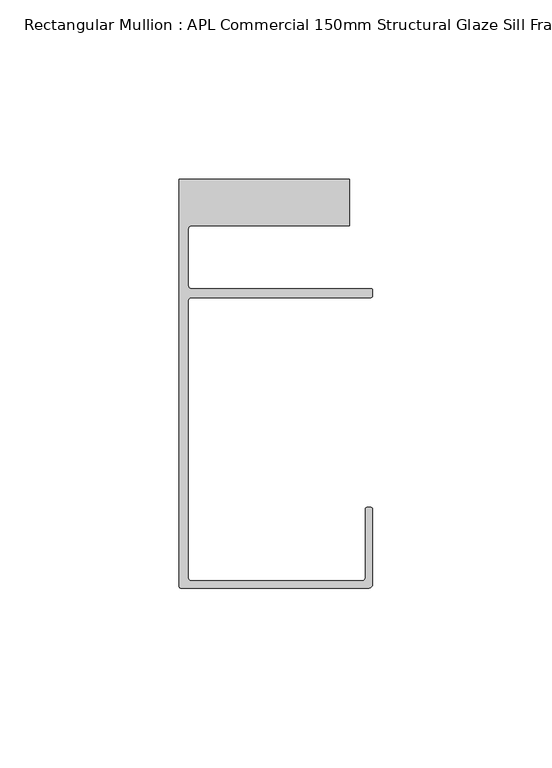
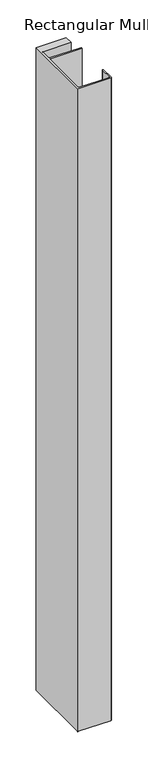
"""IFC4 building model written with IfcOpenShell, lengths in millimetres: member geometry, Rectangular Mullion : APL Commercial 150mm Structural Glaze Sill Frame (Back)."""

import ifcopenshell
import ifcopenshell.guid

model = None  # the IFC model being written
_history = None  # IfcOwnerHistory: only IFC2X3 demands one
_inside = {}  # id of a spatial element -> (the spatial element, [elements in it])
_under = {}  # id of a project, library or spatial element -> (it, [spatial elements below it])
_declared = {}  # id of a project -> (the project, [libraries it declares])
_typed = {}  # id of a type object -> (the type object, [elements of that type])
_made_of = {}  # id of a material, layer set ... -> (it, [elements and type objects made of it])


def new_model(schema):
    """Start an empty IFC model of exactly this schema.

    Asked for "IFC4X3", IfcOpenShell would pick the latest addendum, in which some entities
    have other attributes; the version numbers below select the first issue.
    IFC2X3 requires an IfcOwnerHistory on every rooted entity: one is made here for all.
    """
    global model, _history
    if schema == "IFC4X3":
        model = ifcopenshell.file(schema_version=(4, 3, 0, 0))
    else:
        model = ifcopenshell.file(schema=schema)
    _inside.clear()
    _under.clear()
    _declared.clear()
    _typed.clear()
    _made_of.clear()
    _history = None
    if model.schema == "IFC2X3":
        org = make("IfcOrganization", Name="unknown")
        user = make(
            "IfcPersonAndOrganization",
            ThePerson=make("IfcPerson", FamilyName="unknown"),
            TheOrganization=org,
        )
        app = make(
            "IfcApplication",
            ApplicationDeveloper=org,
            Version="unknown",
            ApplicationFullName="unknown",
            ApplicationIdentifier="unknown",
        )
        _history = make(
            "IfcOwnerHistory",
            OwningUser=user,
            OwningApplication=app,
            ChangeAction="ADDED",
            CreationDate=0,
        )
    return model


def make(cls, **values):
    """One entity of the class cls with the attributes given. An attribute that is None is left unset."""
    return model.create_entity(
        cls, **{name: value for name, value in values.items() if value is not None}
    )


def rooted(cls, **values):
    """An entity with a GlobalId (a new one), such as an element, a storey or a relation."""
    return make(cls, GlobalId=ifcopenshell.guid.new(), OwnerHistory=_history, **values)


def si_unit(unit_type, name, prefix=None):
    """IfcSIUnit, for example si_unit("LENGTHUNIT", "METRE", prefix="MILLI")."""
    return make("IfcSIUnit", UnitType=unit_type, Prefix=prefix, Name=name)


def assignment(units):
    """IfcUnitAssignment: the units of a project."""
    return None if units is None else make("IfcUnitAssignment", Units=units)


def point(xyz):
    """IfcCartesianPoint."""
    return None if xyz is None else make("IfcCartesianPoint", Coordinates=xyz)


def direction(xyz):
    """IfcDirection."""
    return None if xyz is None else make("IfcDirection", DirectionRatios=xyz)


def frame(location, z_axis=None, x_axis=None):
    """IfcAxis2Placement3D, a coordinate frame: its origin and axes. An axis left out is left unset."""
    return make(
        "IfcAxis2Placement3D",
        Location=point(location),
        Axis=direction(z_axis),
        RefDirection=direction(x_axis),
    )


def origin():
    """The frame at (0, 0, 0) with its axes left unset."""
    return frame((0.0, 0.0, 0.0))


def place(relative_to, where):
    """IfcLocalPlacement: puts the frame where relative to a parent placement (None: the world)."""
    return make(
        "IfcLocalPlacement", PlacementRelTo=relative_to, RelativePlacement=where
    )


def context(
    kind, dimensions, precision=None, world=None, true_north=None, identifier=None
):
    """IfcGeometricRepresentationContext, for example the 3D "Model" context."""
    return make(
        "IfcGeometricRepresentationContext",
        ContextIdentifier=identifier,
        ContextType=kind,
        CoordinateSpaceDimension=dimensions,
        Precision=precision,
        WorldCoordinateSystem=world,
        TrueNorth=true_north,
    )


def project(units=None, contexts=None):
    """IfcProject with its units and contexts."""
    return rooted(
        "IfcProject",
        Name="project",
        RepresentationContexts=contexts,
        UnitsInContext=assignment(units),
    )


def spatial(cls, under=None, at=None, **own):
    """A site, building, storey or space (cls), placed at a placement, below another one or the project."""
    s = rooted(cls, ObjectPlacement=at, **own)
    if under is not None:
        _under.setdefault(under.id(), (under, []))[1].append(s)
    return s


def polyline(points):
    """IfcPolyline through the points."""
    return make("IfcPolyline", Points=[point(p) for p in points])


def circle_curve(where, radius):
    """IfcCircle in the frame where."""
    return make("IfcCircle", Position=where, Radius=radius)


def shape(context_of_items, identifier, shape_type, items):
    """IfcShapeRepresentation: the items that make up one representation, for example the "Body"."""
    return make(
        "IfcShapeRepresentation",
        ContextOfItems=context_of_items,
        RepresentationIdentifier=identifier,
        RepresentationType=shape_type,
        Items=items,
    )


def source(mapping_origin, context_of_items, identifier, shape_type, items):
    """IfcRepresentationMap: a shape defined once, which mapped items show again and again."""
    return make(
        "IfcRepresentationMap",
        MappingOrigin=mapping_origin,
        MappedRepresentation=shape(context_of_items, identifier, shape_type, items),
    )


def transform(
    local_origin,
    x_axis=None,
    y_axis=None,
    z_axis=None,
    scale=None,
    scale2=None,
    scale3=None,
    uniform=True,
):
    """IfcCartesianTransformationOperator3D, or its non-uniform kind. x_axis, y_axis, z_axis: its Axis1, 2, 3."""
    if uniform:
        return make(
            "IfcCartesianTransformationOperator3D",
            Axis1=direction(x_axis),
            Axis2=direction(y_axis),
            LocalOrigin=point(local_origin),
            Scale=scale,
            Axis3=direction(z_axis),
        )
    return make(
        "IfcCartesianTransformationOperator3DnonUniform",
        Axis1=direction(x_axis),
        Axis2=direction(y_axis),
        LocalOrigin=point(local_origin),
        Scale=scale,
        Axis3=direction(z_axis),
        Scale2=scale2,
        Scale3=scale3,
    )


def mapped(mapping_source, mapping_target):
    """IfcMappedItem: shows the shape of a source again, moved by a transform."""
    return make(
        "IfcMappedItem", MappingSource=mapping_source, MappingTarget=mapping_target
    )


def made_of(thing, what):
    """Note that an element or type object is made of a material, layer set ...; save() writes the relation."""
    if what is not None:
        _made_of.setdefault(what.id(), (what, []))[1].append(thing)
    return thing


def element(
    cls,
    number,
    at=None,
    inside=None,
    cuts=None,
    type_object=None,
    material=None,
    context=None,
    identifier="Body",
    shape_type=None,
    held_by="IfcProductDefinitionShape",
    body=None,
    shapes=None,
    **own,
):
    """One element of the class cls, such as IfcWall. Its Tag is "e" and its number.

    at: its placement. inside: the storey or other place that contains it. cuts: it is an
    opening in that element (IfcRelVoidsElement). A single representation is given by context,
    identifier, shape_type and body (its items); several are given by shapes. held_by: the class
    of the entity that holds the representations. save() writes the other relations.
    """
    e = rooted(cls, Tag="e%d" % number, ObjectPlacement=at, **own)
    if body is not None:
        shapes = [shape(context, identifier, shape_type, body)]
    if shapes is not None:
        e.Representation = make(held_by, Representations=shapes)
    if inside is not None:
        _inside.setdefault(inside.id(), (inside, []))[1].append(e)
    if cuts is not None:
        rooted(
            "IfcRelVoidsElement", RelatingBuildingElement=cuts, RelatedOpeningElement=e
        )
    if type_object is not None:
        _typed.setdefault(type_object.id(), (type_object, []))[1].append(e)
    return made_of(e, material)


def aggregate(whole, parts):
    """IfcRelAggregates: a whole, such as a stair, and the parts it consists of."""
    return rooted("IfcRelAggregates", RelatingObject=whole, RelatedObjects=parts)


def save(model, path):
    """Write the relations noted so far, then the file.

    IfcRelAggregates (storeys below a building ...), IfcRelContainedInSpatialStructure (elements
    in a storey), IfcRelDefinesByType, IfcRelAssociatesMaterial and IfcRelDeclares: one each for
    every whole, place, type object, material and project.
    """
    for whole, parts in _under.values():
        aggregate(whole, parts)
    for where, things in _inside.values():
        rooted(
            "IfcRelContainedInSpatialStructure",
            RelatedElements=things,
            RelatingStructure=where,
        )
    for kind, things in _typed.values():
        rooted("IfcRelDefinesByType", RelatedObjects=things, RelatingType=kind)
    for what, things in _made_of.values():
        rooted("IfcRelAssociatesMaterial", RelatedObjects=things, RelatingMaterial=what)
    for by, libraries in _declared.values():
        rooted("IfcRelDeclares", RelatingContext=by, RelatedDefinitions=libraries)
    model.write(path)


def plane_surface(at):
    """IfcPlane: the flat surface through the origin of the frame at, square to its z axis."""
    return make("IfcPlane", Position=at)


def cylinder_surface(at, radius):
    """IfcCylindricalSurface: all points at the distance radius from the z axis of the frame at."""
    return make("IfcCylindricalSurface", Position=at, Radius=radius)


def revolved_surface(curve, axis_point, axis_direction):
    """IfcSurfaceOfRevolution: the curve turned about the line through axis_point along axis_direction."""
    return make(
        "IfcSurfaceOfRevolution",
        SweptCurve=make("IfcArbitraryOpenProfileDef", ProfileType="CURVE", Curve=curve),
        AxisPosition=make("IfcAxis1Placement", Location=point(axis_point), Axis=direction(axis_direction)),
    )


def advanced_brep(points, edges, surfaces, faces):
    """IfcAdvancedBrep: a solid bounded by faces that lie on surfaces and meet in shared edges.

    An edge is (start, end): straight between two places in points (the first is 0);
    or (start, end, curve); or (start, end, curve, False) where it runs against its curve.
    A face is (place in surfaces, loops), or (place, loops, False) where it looks against
    its surface's normal. A loop lists edges by number (the first is 1), with a minus sign
    where the edge is run from its end to its start. The first loop is the outer one.
    """
    corners = [point(p) for p in points]
    vertices = [make("IfcVertexPoint", VertexGeometry=c) for c in corners]
    made = []
    for start, end, *more in edges:
        made.append(
            make(
                "IfcEdgeCurve",
                EdgeStart=vertices[start],
                EdgeEnd=vertices[end],
                EdgeGeometry=more[0] if more else make("IfcPolyline", Points=[corners[start], corners[end]]),
                SameSense=more[1] if len(more) > 1 else True,
            )
        )
    hull = []
    for where, loops, *sense in faces:
        bounds = []
        for j, loop in enumerate(loops):
            ring = [make("IfcOrientedEdge", EdgeElement=made[abs(k) - 1], Orientation=k > 0) for k in loop]
            bounds.append(
                make(
                    "IfcFaceOuterBound" if j == 0 else "IfcFaceBound",
                    Bound=make("IfcEdgeLoop", EdgeList=ring),
                    Orientation=True,
                )
            )
        hull.append(make("IfcAdvancedFace", Bounds=bounds, FaceSurface=surfaces[where], SameSense=sense[0] if sense else True))
    return make("IfcAdvancedBrep", Outer=make("IfcClosedShell", CfsFaces=hull))


def rectangular_mullion_apl_commercial_150mm_structural_glaze_87de16ee(model_context):
    return source(origin(), model_context, "Body", "AdvancedBrep", [
        advanced_brep(
        [(-53.5000083, -129.0001071, 0.0), (-1.0000079, -129.0001071, 0.0), (-7.9e-06, -128.0001071, 0.0), (0.0, -107.0001071, 0.0), (-0.5, -106.5001071, 0.0), (-1.4999822, -106.5001071, 0.0), (-1.9999822, -107.0001071, 0.0), (-1.9999982, -126.0001071, 0.0), (-2.9999982, -127.0001071, 0.0), (-50.5000083, -127.00011, 0.0), (-51.5000083, -126.00011, 0.0), (-51.5000225, -48.9999541, 0.0), (-50.482081, -48.000115, 0.0), (-0.5000012, -48.000115, 0.0), (-5.4e-06, -47.5021598, 0.0), (-5.4e-06, -46.0213357, 0.0), (-0.521387, -45.4999541, 0.0), (-50.500032, -45.4999541, 0.0), (-51.500032, -44.4999541, 0.0), (-51.500032, -29.0004332, 0.0), (-50.500032, -28.0004332, 0.0), (-6.5000083, -28.0004332, 0.0), (-6.5000083, -15.0004332, 0.0), (-54.0000083, -15.0004332, 0.0), (-54.0000083, -128.5001071, 0.0), (-53.5000083, -129.0001071, -1077.6385615), (-54.0000083, -128.5001071, -1077.6385615), (-54.0000083, -15.0004332, -1077.6385615), (-6.5000083, -15.0004332, -1077.6385615), (-6.5000083, -28.0004332, -1077.6385615), (-50.500032, -28.0004332, -1077.6385615), (-51.500032, -29.0004332, -1077.6385615), (-51.500032, -44.4999541, -1077.6385615), (-50.500032, -45.4999541, -1077.6385615), (-0.521387, -45.4999541, -1077.6385615), (-5.4e-06, -46.0213357, -1077.6385615), (-5.4e-06, -47.5021598, -1077.6385615), (-0.5000012, -48.000115, -1077.6385615), (-50.482081, -48.000115, -1077.6385615), (-51.5000225, -48.9999541, -1077.6385615), (-51.5000225, -126.00011, -1077.6385615), (-50.5000083, -127.00011, -1077.6385615), (-2.9999982, -127.00011, -1077.6385615), (-1.9999982, -126.0001071, -1077.6385615), (-1.9999982, -107.0001071, -1077.6385615), (-1.4999822, -106.5001071, -1077.6385615), (-0.5, -106.5001071, -1077.6385615), (0.0, -107.0001071, -1077.6385615), (0.0, -128.0001071, -1077.6385615), (-1.0000079, -129.0001071, -1077.6385615)],
        [
            (0, 1),
            (1, 2, circle_curve(frame((-1.0000079, -128.0001071, 0.0), z_axis=(0.0, 0.0, 1.0), x_axis=(0.9999999999996143, -8.78371761103865e-07, 0.0)), 1.0)),
            (2, 3),
            (3, 4, circle_curve(frame((-0.5, -107.0001071, 0.0), z_axis=(0.0, 0.0, 1.0), x_axis=(0.0, 1.0, 0.0)), 0.5)),
            (4, 5),
            (5, 6, circle_curve(frame((-1.4999822, -107.0001071, 0.0), z_axis=(0.0, 0.0, 1.0), x_axis=(-1.0, 1.039279773351609e-08, 0.0)), 0.5)),
            (6, 7),
            (7, 8, circle_curve(frame((-2.9999982, -126.0001071, 0.0), z_axis=(0.0, 0.0, -1.0), x_axis=(0.0, -1.0, 0.0)), 1.0)),
            (8, 9),
            (9, 10, circle_curve(frame((-50.5000083, -126.00011, 0.0), z_axis=(0.0, 0.0, -1.0), x_axis=(-1.0, -3.636202450239078e-12, 0.0)), 1.0)),
            (10, 11),
            (11, 12, circle_curve(frame((-50.5000225, -48.9999541, 0.0), z_axis=(0.0, 0.0, -1.0), x_axis=(3.5344775231070867e-06, 0.9999999999937538, 0.0)), 1.0)),
            (12, 13),
            (13, 14, circle_curve(frame((-0.5000012, -47.500115, 0.0), z_axis=(0.0, 0.0, 1.0), x_axis=(0.9999999999999991, 4.5120271963110614e-08, 0.0)), 0.5)),
            (14, 15),
            (15, 16, circle_curve(frame((-0.521387, -46.0213357, 0.0), z_axis=(0.0, 0.0, 1.0), x_axis=(-1.0, 0.0, 0.0)), 0.5213816)),
            (16, 17),
            (17, 18, circle_curve(frame((-50.500032, -44.4999541, 0.0), z_axis=(0.0, 0.0, -1.0), x_axis=(-0.9999999999998819, -4.863123717036027e-07, 0.0)), 1.0)),
            (18, 19),
            (19, 20, circle_curve(frame((-50.500032, -29.0004332, 0.0), z_axis=(0.0, 0.0, -1.0), x_axis=(0.0, 1.0, 0.0)), 1.0)),
            (20, 21),
            (21, 22),
            (22, 23),
            (23, 24),
            (24, 0, circle_curve(frame((-53.5000083, -128.5001071, 0.0), z_axis=(0.0, 0.0, 1.0), x_axis=(0.0, -1.0, 0.0)), 0.5)),
            (25, 26, circle_curve(frame((-53.5000083, -128.5001071, -1077.6385615), z_axis=(0.0, 0.0, -1.0), x_axis=(0.0, -1.0, 0.0)), 0.5)),
            (26, 27),
            (27, 28),
            (28, 29),
            (29, 30),
            (30, 31, circle_curve(frame((-50.500032, -29.0004332, -1077.6385615), z_axis=(0.0, 0.0, 1.0), x_axis=(0.0, 1.0, 0.0)), 1.0)),
            (31, 32),
            (32, 33, circle_curve(frame((-50.500032, -44.4999541, -1077.6385615), z_axis=(0.0, 0.0, 1.0), x_axis=(-0.9999999999998819, -4.863123717036027e-07, 0.0)), 1.0)),
            (33, 34),
            (34, 35, circle_curve(frame((-0.521387, -46.0213357, -1077.6385615), z_axis=(0.0, 0.0, -1.0), x_axis=(-1.0, 0.0, 0.0)), 0.5213816)),
            (35, 36),
            (36, 37, circle_curve(frame((-0.5000012, -47.500115, -1077.6385615), z_axis=(0.0, 0.0, -1.0), x_axis=(0.9999999999999991, 4.5120271963110614e-08, 0.0)), 0.5)),
            (37, 38),
            (38, 39, circle_curve(frame((-50.5000225, -48.9999541, -1077.6385615), z_axis=(0.0, 0.0, 1.0), x_axis=(3.5344775231070867e-06, 0.9999999999937538, 0.0)), 1.0)),
            (39, 40),
            (40, 41, circle_curve(frame((-50.5000083, -126.00011, -1077.6385615), z_axis=(0.0, 0.0, 1.0), x_axis=(-1.0, -3.636202450239078e-12, 0.0)), 1.0)),
            (41, 42),
            (42, 43, circle_curve(frame((-2.9999982, -126.0001071, -1077.6385615), z_axis=(0.0, 0.0, 1.0), x_axis=(0.0, -1.0, 0.0)), 1.0)),
            (43, 44),
            (44, 45, circle_curve(frame((-1.4999822, -107.0001071, -1077.6385615), z_axis=(0.0, 0.0, -1.0), x_axis=(-1.0, 1.039279773351609e-08, 0.0)), 0.5)),
            (45, 46),
            (46, 47, circle_curve(frame((-0.5, -107.0001071, -1077.6385615), z_axis=(0.0, 0.0, -1.0), x_axis=(0.0, 1.0, 0.0)), 0.5)),
            (47, 48),
            (48, 49, circle_curve(frame((-1.0000079, -128.0001071, -1077.6385615), z_axis=(0.0, 0.0, -1.0), x_axis=(0.9999999999996143, -8.78371761103865e-07, 0.0)), 1.0)),
            (49, 25),
            (0, 25),
            (49, 1),
            (48, 2),
            (47, 3),
            (46, 4),
            (45, 5),
            (44, 6),
            (43, 7),
            (42, 8),
            (41, 9),
            (40, 10),
            (39, 11),
            (38, 12),
            (37, 13),
            (36, 14),
            (35, 15),
            (34, 16),
            (33, 17),
            (32, 18),
            (31, 19),
            (30, 20),
            (29, 21),
            (28, 22),
            (27, 23),
            (26, 24),
        ],
        [
            plane_surface(frame((0.0, -139.6548314, 0.0), z_axis=(0.0, 0.0, 1.0), x_axis=(-1.0, 0.0, 0.0))),
            plane_surface(frame((0.0, -139.6548314, -1077.6385615), z_axis=(0.0, 0.0, -1.0), x_axis=(-1.0, 0.0, 0.0))),
            plane_surface(frame((-53.5000083, -129.0001071, 0.0), z_axis=(0.0, -1.0, 0.0), x_axis=(0.0, 0.0, -1.0))),
            cylinder_surface(frame((-1.0000079, -128.0001071, 0.0), z_axis=(0.0, 0.0, 1.0000000000000002), x_axis=(0.9999999999996143, -8.78371761103865e-07, 0.0)), 1.0),
            plane_surface(frame((0.0, -128.0001071, 0.0), z_axis=(1.0, 0.0, 0.0), x_axis=(0.0, 0.0, -1.0))),
            cylinder_surface(frame((-0.5, -107.0001071, 0.0), z_axis=(0.0, 0.0, 1.0), x_axis=(0.0, 1.0, 0.0)), 0.5),
            plane_surface(frame((-0.5, -106.5001071, 0.0), z_axis=(0.0, 1.0, 0.0), x_axis=(0.0, 0.0, -1.0))),
            cylinder_surface(frame((-1.4999822, -107.0001071, 0.0), z_axis=(0.0, 0.0, 1.0), x_axis=(-1.0, 1.039279773351609e-08, 0.0)), 0.5),
            plane_surface(frame((-1.9999982, -107.0001071, 0.0), z_axis=(-1.0, 0.0, 0.0), x_axis=(0.0, 0.0, -1.0))),
            revolved_surface(polyline([(-2.9999982, -127.0001071, -1077.6385615), (-2.9999982, -127.0001071, 0.0)]), (-2.9999982, -126.0001071, 0.0), (0.0, 0.0, -1.0)),
            plane_surface(frame((-2.9999982, -127.00011, 0.0), z_axis=(0.0, 1.0, 0.0), x_axis=(0.0, 0.0, -1.0))),
            revolved_surface(polyline([(-51.5000083, -126.00011000000364, -1077.6385615), (-51.5000083, -126.00011000000364, 0.0)]), (-50.5000083, -126.00011, 0.0), (0.0, 0.0, -1.0)),
            plane_surface(frame((-51.5000225, -126.00011, 0.0), z_axis=(1.0, 0.0, 0.0), x_axis=(0.0, 0.0, -1.0))),
            revolved_surface(polyline([(-50.50001896552248, -47.99995410000624, -1077.6385615), (-50.50001896552248, -47.99995410000624, 0.0)]), (-50.5000225, -48.9999541, 0.0), (0.0, 0.0, -1.0)),
            plane_surface(frame((-50.482081, -48.000115, 0.0), z_axis=(0.0, -1.0, 0.0), x_axis=(0.0, 0.0, -1.0))),
            cylinder_surface(frame((-0.5000012, -47.500115, 0.0), z_axis=(0.0, 0.0, 1.0000000000000002), x_axis=(0.9999999999999991, 4.5120271963110614e-08, 0.0)), 0.5),
            plane_surface(frame((-5.4e-06, -47.5021598, 0.0), z_axis=(1.0, 0.0, 0.0), x_axis=(0.0, 0.0, -1.0))),
            cylinder_surface(frame((-0.521387, -46.0213357, 0.0), z_axis=(0.0, 0.0, 1.0), x_axis=(-1.0, 0.0, 0.0)), 0.5213816),
            plane_surface(frame((-0.521387, -45.4999541, 0.0), z_axis=(0.0, 1.0, 0.0), x_axis=(0.0, 0.0, -1.0))),
            revolved_surface(polyline([(-51.50003199999988, -44.49995458631237, -1077.6385615000004), (-51.50003199999988, -44.49995458631237, 0.0)]), (-50.500032, -44.4999541, 0.0), (0.0, 0.0, -1.0000000000000002)),
            plane_surface(frame((-51.500032, -44.4999541, 0.0), z_axis=(1.0, 0.0, 0.0), x_axis=(0.0, 0.0, -1.0))),
            revolved_surface(polyline([(-50.500032, -28.0004332, -1077.6385615), (-50.500032, -28.0004332, 0.0)]), (-50.500032, -29.0004332, 0.0), (0.0, 0.0, -1.0)),
            plane_surface(frame((-50.500032, -28.0004332, 0.0), z_axis=(0.0, -1.0, 0.0), x_axis=(0.0, 0.0, -1.0))),
            plane_surface(frame((-6.5000083, -28.0004332, 0.0), z_axis=(1.0, 0.0, 0.0), x_axis=(0.0, 0.0, -1.0))),
            plane_surface(frame((-6.5000083, -15.0004332, 0.0), z_axis=(0.0, 1.0, 0.0), x_axis=(0.0, 0.0, -1.0))),
            plane_surface(frame((-54.0000083, -15.0004332, 0.0), z_axis=(-1.0, 0.0, 0.0), x_axis=(0.0, 0.0, -1.0))),
            cylinder_surface(frame((-53.5000083, -128.5001071, 0.0), z_axis=(0.0, 0.0, 1.0), x_axis=(0.0, -1.0, 0.0)), 0.5),
        ],
        [
            (0, [[1, 2, 3, 4, 5, 6, 7, 8, 9, 10, 11, 12, 13, 14, 15, 16, 17, 18, 19, 20, 21, 22, 23, 24, 25]]),
            (1, [[26, 27, 28, 29, 30, 31, 32, 33, 34, 35, 36, 37, 38, 39, 40, 41, 42, 43, 44, 45, 46, 47, 48, 49, 50]]),
            (2, [[-1, 51, -50, 52]]),
            (3, [[-2, -52, -49, 53]]),
            (4, [[-3, -53, -48, 54]]),
            (5, [[-4, -54, -47, 55]]),
            (6, [[-5, -55, -46, 56]]),
            (7, [[-6, -56, -45, 57]]),
            (8, [[-7, -57, -44, 58]]),
            (9, [[-8, -58, -43, 59]]),
            (10, [[-9, -59, -42, 60]]),
            (11, [[-10, -60, -41, 61]]),
            (12, [[-11, -61, -40, 62]]),
            (13, [[-12, -62, -39, 63]]),
            (14, [[-13, -63, -38, 64]]),
            (15, [[-14, -64, -37, 65]]),
            (16, [[-15, -65, -36, 66]]),
            (17, [[-16, -66, -35, 67]]),
            (18, [[-17, -67, -34, 68]]),
            (19, [[-18, -68, -33, 69]]),
            (20, [[-19, -69, -32, 70]]),
            (21, [[-20, -70, -31, 71]]),
            (22, [[-21, -71, -30, 72]]),
            (23, [[-22, -72, -29, 73]]),
            (24, [[-23, -73, -28, 74]]),
            (25, [[-24, -74, -27, 75]]),
            (26, [[-25, -75, -26, -51]]),
        ],
    ),
    ])


if __name__ == "__main__":
    model = new_model("IFC4")
    model_context = context("Model", 3, world=origin())
    ifc_project = project(units=[si_unit("LENGTHUNIT", "METRE", prefix="MILLI")], contexts=[model_context])
    site = spatial("IfcSite", under=ifc_project)
    building = spatial("IfcBuilding", under=site)
    placement = place(None, origin())
    rectangular_mullion_apl_commercial_150mm_structural_glaze_shape = rectangular_mullion_apl_commercial_150mm_structural_glaze_87de16ee(model_context)
    element("IfcMember", 1, ObjectType="Rectangular Mullion : APL Commercial 150mm Structural Glaze Sill Frame (Back)", at=placement, inside=building, context=model_context, shape_type="MappedRepresentation", body=[
        mapped(rectangular_mullion_apl_commercial_150mm_structural_glaze_shape, transform((0.0, 0.0, 0.0), x_axis=(1.0, 0.0, 0.0), y_axis=(0.0, 1.0, 0.0), z_axis=(0.0, 0.0, 1.0))),
    ])
    save(model, "model.ifc")
